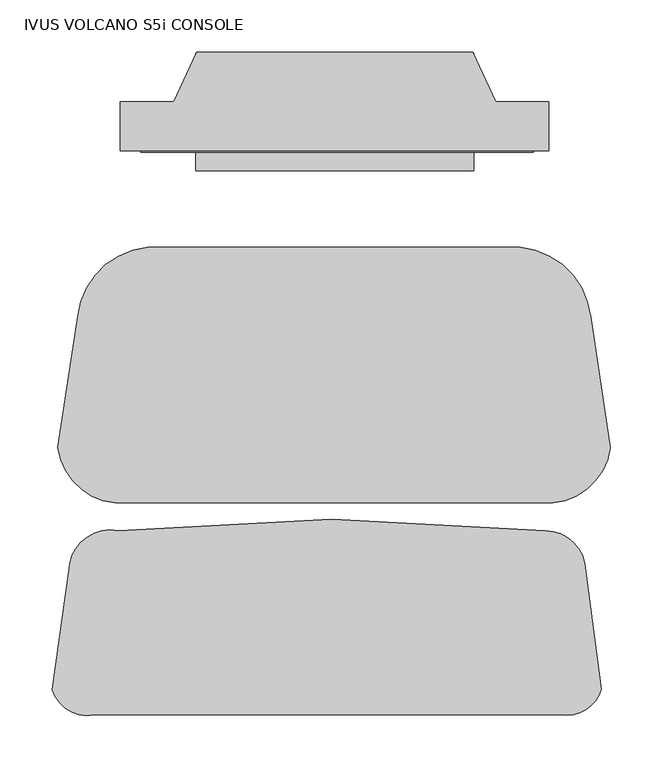
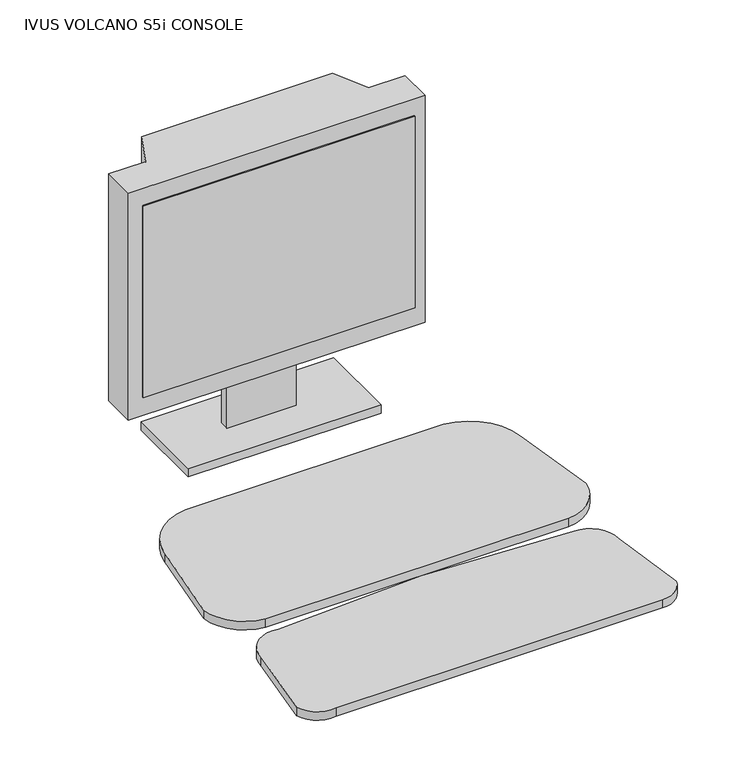
"""IFC4 building model written with IfcOpenShell, lengths in millimetres: proxy geometry, IVUS VOLCANO S5i CONSOLE."""

from ifc_helpers import new_model, si_unit, point, frame, frame_2d, origin, place, context, project, spatial, polyline, circle_curve, trimmed, segment, composite_curve, outline, extrude, source, transform, mapped, element, save


def ivus_volcano_s5i_console_0c9ac56b(model_context):
    return source(origin(), model_context, "Body", "SweptSolid", [
        extrude(outline(polyline([(-172.3657673, 163.1496602), (202.2842327, 163.1496602), (202.2842327, 157.4955558), (-172.3657673, 157.4955558), (-172.3657673, 163.1496602)])), frame((0.0, 0.0, 1037.0308248), z_axis=(0.0, 0.0, 1.0), x_axis=(1.0, 0.0, 0.0)), (0.0, 0.0, 1.0), 279.4),
        extrude(outline(composite_curve([segment(trimmed(circle_curve(frame_2d((-158.9690952, -7.1103798)), 74.3645998), [point((-232.9090091, 0.8257925))], [point((-165.9319573, 66.9275312))], False, "CARTESIAN"), True, "CONTINUOUS"), segment(trimmed(circle_curve(frame_2d((11.9521521, -1824.5601223)), 1899.8337557), [point((-165.9319573, 66.9275312))], [point((189.8362615, 66.9275312))], False, "CARTESIAN"), True, "CONTINUOUS"), segment(trimmed(circle_curve(frame_2d((182.8733993, -7.1103798)), 74.3645998), [point((189.8362615, 66.9275312))], [point((256.8133132, 0.8257925))], False, "CARTESIAN"), True, "CONTINUOUS"), segment(polyline([(256.8133132, 0.8257925), (275.7055373, -124.3439421)]), True, "CONTINUOUS"), segment(trimmed(circle_curve(frame_2d((215.111453, -116.1175813)), 61.1499474), [point((275.7055373, -124.3439421))], [point((220.7532257, -177.0067139))], False, "CARTESIAN"), True, "CONTINUOUS"), segment(trimmed(circle_curve(frame_2d((11.9521521, 2076.490024)), 2263.1494506), [point((220.7532257, -177.0067139))], [point((-196.8489216, -177.0067139))], False, "CARTESIAN"), True, "CONTINUOUS"), segment(trimmed(circle_curve(frame_2d((-191.2071489, -116.1175813)), 61.1499474), [point((-196.8489216, -177.0067139))], [point((-251.8012332, -124.3439421))], False, "CARTESIAN"), True, "CONTINUOUS"), segment(polyline([(-251.8012332, -124.3439421), (-232.9090091, 0.8257925)]), True, "CONTINUOUS")], self_intersect=False)), frame((0.0, 0.0, 914.4), z_axis=(0.0, 0.0, 1.0), x_axis=(1.0, 0.0, 0.0)), (0.0, 0.0, 1.0), 12.2153731),
        extrude(outline(composite_curve([segment(trimmed(circle_curve(frame_2d((213.4295297, -242.4396857)), 38.7794352), [point((213.4295297, -203.6602505))], [point((252.208965, -242.4396857))], False, "CARTESIAN"), True, "CONTINUOUS"), segment(polyline([(252.208965, -242.4396857), (267.1826562, -355.0392727)]), True, "CONTINUOUS"), segment(trimmed(circle_curve(frame_2d((233.9200196, -344.7285373)), 34.8240471), [point((267.1826562, -355.0392727))], [point((233.9200196, -379.5525844))], False, "CARTESIAN"), True, "CONTINUOUS"), segment(trimmed(circle_curve(frame_2d((9.2960809, 1870.5381443)), 2261.2749062), [point((233.9200196, -379.5525844))], [point((-216.6077636, -379.4244453))], False, "CARTESIAN"), True, "CONTINUOUS"), segment(trimmed(circle_curve(frame_2d((-223.1107854, -344.563687)), 35.4621172), [point((-216.6077636, -379.4244453))], [point((-256.9612578, -355.1328534))], False, "CARTESIAN"), True, "CONTINUOUS"), segment(polyline([(-256.9612578, -355.1328534), (-241.2051476, -242.7304598)]), True, "CONTINUOUS"), segment(trimmed(circle_curve(frame_2d((-201.2321161, -242.7304598)), 39.9730315), [point((-241.2051476, -242.7304598))], [point((-194.3074704, -203.3617853))], False, "CARTESIAN"), True, "CONTINUOUS"), segment(trimmed(circle_curve(frame_2d((8.1885904, -2078.4174926)), 1885.9582604), [point((-194.3074704, -203.3617853))], [point((213.4295297, -203.6602505))], False, "CARTESIAN"), True, "CONTINUOUS")], self_intersect=False)), frame((0.0, 0.0, 914.4), z_axis=(0.0, 0.0, 1.0), x_axis=(1.0, 0.0, 0.0)), (0.0, 0.0, 1.0), 12.2153731),
        extrude(outline(polyline([(235.3222815, -354.1605141), (-221.8777185, -354.1605141), (-221.8777185, -227.1605141), (235.3222815, -227.1605141), (235.3222815, -354.1605141)])), frame((0.0, 0.0, 914.4), z_axis=(0.0, 0.0, 1.0), x_axis=(1.0, 0.0, 0.0)), (0.0, 0.0, 1.0), 12.2153731),
        extrude(outline(polyline([(145.2899902, 140.0041477), (-120.2820275, 140.0041477), (-120.2820275, 252.4702648), (145.2899902, 252.4702648), (145.2899902, 140.0041477)])), frame((0.0, 0.0, 914.4), z_axis=(0.0, 0.0, 1.0), x_axis=(1.0, 0.0, 0.0)), (0.0, 0.0, 1.0), 12.2153731),
        extrude(outline(polyline([(56.3899902, 188.9890936), (-38.8600098, 188.9890936), (-38.8600098, 201.6702648), (56.3899902, 201.6702648), (56.3899902, 188.9890936)])), frame((0.0, 0.0, 926.6153731), z_axis=(0.0, 0.0, 1.0), x_axis=(1.0, 0.0, 0.0)), (0.0, 0.0, 1.0), 83.6809533),
        extrude(outline(polyline([(-191.961212, 159.0541477), (-191.961212, 206.0441477), (-141.161212, 206.0441477), (-119.2494151, 253.0341477), (144.2669912, 253.0341477), (166.178788, 206.0441477), (216.978788, 206.0441477), (216.978788, 159.0541477), (-191.961212, 159.0541477)])), frame((0.0, 0.0, 1010.2963264), z_axis=(0.0, 0.0, 1.0), x_axis=(1.0, 0.0, 0.0)), (0.0, 0.0, 1.0), 330.8236736),
    ])


if __name__ == "__main__":
    model = new_model("IFC4")
    model_context = context("Model", 3, world=origin())
    ifc_project = project(units=[si_unit("LENGTHUNIT", "METRE", prefix="MILLI")], contexts=[model_context])
    site = spatial("IfcSite", under=ifc_project)
    building = spatial("IfcBuilding", under=site)
    placement = place(None, origin())
    ivus_volcano_s5i_console_shape = ivus_volcano_s5i_console_0c9ac56b(model_context)
    element("IfcBuildingElementProxy", 1, Name="IVUS VOLCANO S5i CONSOLE", ObjectType="IVUS VOLCANO S5i CONSOLE", at=placement, inside=building, context=model_context, shape_type="MappedRepresentation", body=[
        mapped(ivus_volcano_s5i_console_shape, transform((0.0, 0.0, 0.0), x_axis=(1.0, 0.0, 0.0), y_axis=(0.0, 1.0, 0.0), z_axis=(0.0, 0.0, 1.0))),
    ])
    save(model, "model.ifc")
